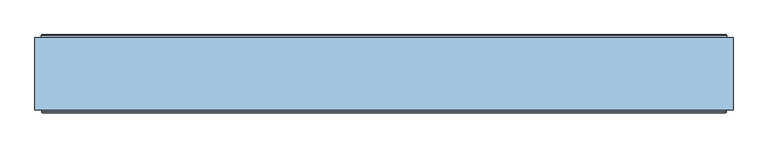
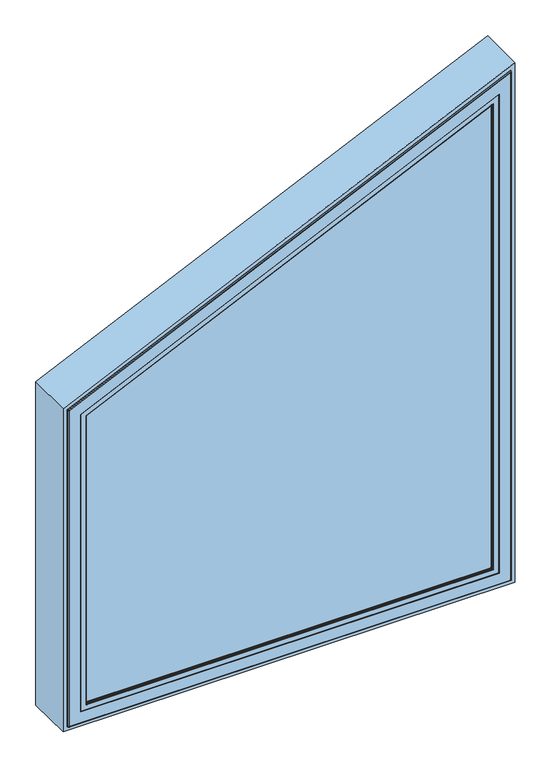
"""IFC4 building model written with IfcOpenShell, lengths in millimetres: window geometry."""

from ifc_helpers import new_model, si_unit, frame, origin, place, context, project, spatial, polyline, ellipse_curve, outline, extrude, faceted_brep, source, transform, mapped, element, save
from ifc_brep_helpers import plane_surface, cylinder_surface, revolved_surface, advanced_brep


def window_071e75b5(model_context):
    return source(origin(), model_context, "Body", "SolidModel", [
        extrude(outline(polyline([(2340.3606561, 616.514074), (1774.7514138, -616.514074), (849.485926, -616.514074), (849.485926, 616.514074), (2340.3606561, 616.514074)])), frame((0.0, -146.5000019, 0.0), z_axis=(0.0, 1.0, 0.0), x_axis=(0.0, 0.0, 1.0)), (0.0, 0.0, 1.0), 28.0000001),
        extrude(outline(polyline([(2417.5045872, 666.0), (1806.4954128, -666.0), (800.0, -666.0), (800.0, 666.0), (2417.5045872, 666.0)]), holes=[polyline([(1798.7977093, -654.0), (2398.7977093, 654.0), (812.0, 654.0), (812.0, -654.0), (1798.7977093, -654.0)])]), frame((0.0, -148.3866107, 0.0), z_axis=(0.0, 1.0, 0.0), x_axis=(0.0, 0.0, 1.0)), (0.0, 0.0, 1.0), 138.3866091),
        advanced_brep(
        [(-644.0, -6.5000014, 1792.3829563), (-644.0, -6.5000014, 822.0), (-645.5, -5.0000014, 820.5), (-645.5, -5.0000014, 1793.3451693), (-644.0, -142.5000016, 1792.3829563), (-644.0, -142.5000016, 822.0), (-654.0, -6.5000014, 1798.7977093), (-654.0, -6.5000014, 812.0), (-654.0, -142.5000016, 812.0), (-654.0, -142.5000016, 1798.7977093), (-652.5, -5.0000014, 1797.8354964), (-652.5, -5.0000014, 813.5), (644.0, -6.5000014, 822.0), (645.5, -5.0000014, 820.5), (644.0, -142.5000016, 822.0), (654.0, -6.5000014, 812.0), (654.0, -142.5000016, 812.0), (652.5, -5.0000014, 813.5), (644.0, -6.5000014, 2383.2086444), (645.5, -5.0000014, 2385.5470041), (644.0, -142.5000016, 2383.2086444), (654.0, -6.5000014, 2398.7977093), (654.0, -142.5000016, 2398.7977093), (652.5, -5.0000014, 2396.4593496)],
        [
            (0, 1),
            (1, 2, ellipse_curve(frame((-645.5, -6.5000014, 820.5), z_axis=(-0.7071067811865475, 0.0, 0.7071067811865475), x_axis=(0.7071067811865474, 0.0, 0.7071067811865476)), 2.1213203, 1.5)),
            (2, 3),
            (3, 0, ellipse_curve(frame((-645.5, -6.5000014, 1793.3451693), z_axis=(-0.5399343370974617, 0.0, -0.8417071412451749), x_axis=(-0.841707141245175, 0.0, 0.5399343370974613)), 1.7820925, 1.5)),
            (4, 5),
            (5, 1),
            (0, 4),
            (6, 7),
            (7, 8),
            (8, 9),
            (9, 6),
            (10, 11),
            (11, 7, ellipse_curve(frame((-652.5, -6.5000014, 813.5), z_axis=(-0.7071067811865475, 0.0, 0.7071067811865475), x_axis=(0.7071067811865474, 0.0, 0.7071067811865476)), 2.1213203, 1.5)),
            (6, 10, ellipse_curve(frame((-652.5, -6.5000014, 1797.8354964), z_axis=(-0.5399343370974617, 0.0, -0.8417071412451749), x_axis=(-0.841707141245175, 0.0, 0.5399343370974613)), 1.7820925, 1.5)),
            (1, 12),
            (12, 13, ellipse_curve(frame((645.5, -6.5000014, 820.5), z_axis=(-0.7071067811865475, 0.0, -0.7071067811865475), x_axis=(-0.7071067811865476, 0.0, 0.7071067811865474)), 2.1213203, 1.5)),
            (13, 2),
            (5, 14),
            (14, 12),
            (7, 15),
            (15, 16),
            (16, 8),
            (11, 17),
            (17, 15, ellipse_curve(frame((652.5, -6.5000014, 813.5), z_axis=(-0.7071067811865475, 0.0, -0.7071067811865475), x_axis=(-0.7071067811865476, 0.0, 0.7071067811865474)), 2.1213203, 1.5)),
            (12, 18),
            (18, 19, ellipse_curve(frame((645.5, -6.5000014, 2385.5470041), z_axis=(0.8417071412451748, 0.0, -0.5399343370974616), x_axis=(-0.5399343370974615, 0.0, -0.8417071412451748)), 2.7781156, 1.5)),
            (19, 13),
            (14, 20),
            (20, 18),
            (15, 21),
            (21, 22),
            (22, 16),
            (17, 23),
            (23, 21, ellipse_curve(frame((652.5, -6.5000014, 2396.4593496), z_axis=(0.8417071412451748, 0.0, -0.5399343370974616), x_axis=(-0.5399343370974615, 0.0, -0.8417071412451748)), 2.7781156, 1.5)),
            (18, 0),
            (3, 19),
            (20, 4),
            (22, 9),
            (21, 6),
            (23, 10),
        ],
        [
            cylinder_surface(frame((-645.5, -6.5000014, 1798.7977093), z_axis=(0.0, 0.0, 1.0), x_axis=(1.0, 0.0, 0.0)), 1.5),
            plane_surface(frame((-644.0, -6.5000014, 1792.3829563), z_axis=(1.0, 0.0, 0.0), x_axis=(0.0, 0.0, -1.0))),
            plane_surface(frame((-654.0, -142.5000016, 1798.7977093), z_axis=(-1.0, 0.0, 0.0), x_axis=(0.0, 0.0, -1.0))),
            cylinder_surface(frame((-652.5, -6.5000014, 1798.7977093), z_axis=(0.0, 0.0, 1.0), x_axis=(1.0, 0.0, 0.0)), 1.5),
            cylinder_surface(frame((-654.0, -6.5000014, 820.5), z_axis=(-1.0, 0.0, 0.0), x_axis=(0.0, 0.0, 1.0)), 1.5),
            plane_surface(frame((-644.0, -6.5000014, 822.0), z_axis=(0.0, 0.0, 1.0), x_axis=(1.0, 0.0, 0.0))),
            plane_surface(frame((-654.0, -142.5000016, 812.0), z_axis=(0.0, 0.0, -1.0), x_axis=(1.0, 0.0, 0.0))),
            cylinder_surface(frame((-654.0, -6.5000014, 813.5), z_axis=(-1.0, 0.0, 0.0), x_axis=(0.0, 0.0, 1.0)), 1.5),
            cylinder_surface(frame((645.5, -6.5000014, 812.0), z_axis=(0.0, 0.0, -1.0), x_axis=(-1.0, 0.0, 0.0)), 1.5),
            plane_surface(frame((644.0, -6.5000014, 822.0), z_axis=(-1.0, 0.0, 0.0), x_axis=(0.0, 0.0, 1.0))),
            plane_surface(frame((654.0, -142.5000016, 812.0), z_axis=(1.0, 0.0, 0.0), x_axis=(0.0, 0.0, 1.0))),
            cylinder_surface(frame((652.5, -6.5000014, 812.0), z_axis=(0.0, 0.0, -1.0), x_axis=(-1.0, 0.0, 0.0)), 1.5),
            cylinder_surface(frame((657.5440055, -6.5000014, 2391.0717773), z_axis=(0.908933174676826, 0.0, 0.4169418232462492), x_axis=(0.4169418232462492, 0.0, -0.908933174676826)), 1.5),
            plane_surface(frame((644.0, -6.5000014, 2383.2086444), z_axis=(0.4169418232462495, 0.0, -0.9089331746768259), x_axis=(-0.9089331746768259, 0.0, -0.4169418232462495))),
            plane_surface(frame((644.0, -142.5000016, 2383.2086444), z_axis=(0.0, -1.0, 0.0), x_axis=(-0.9089331746768259, 0.0, -0.4169418232462496))),
            plane_surface(frame((654.0, -142.5000016, 2398.7977093), z_axis=(-0.4169418232462495, 0.0, 0.9089331746768259), x_axis=(-0.9089331746768259, 0.0, -0.4169418232462495))),
            cylinder_surface(frame((654.6254127, -6.5000014, 2397.4343095), z_axis=(0.908933174676826, 0.0, 0.4169418232462492), x_axis=(0.4169418232462492, 0.0, -0.908933174676826)), 1.5),
            plane_surface(frame((652.5, -5.0000014, 2396.4593496), z_axis=(0.0, 1.0000000000000002, 0.0), x_axis=(-0.908933174676826, 0.0, -0.4169418232462495))),
        ],
        [
            (0, [[1, 2, 3, 4]]),
            (1, [[5, 6, -1, 7]]),
            (2, [[8, 9, 10, 11]]),
            (3, [[12, 13, -8, 14]]),
            (4, [[15, 16, 17, -2]]),
            (5, [[18, 19, -15, -6]]),
            (6, [[20, 21, 22, -9]]),
            (7, [[23, 24, -20, -13]]),
            (8, [[25, 26, 27, -16]]),
            (9, [[28, 29, -25, -19]]),
            (10, [[30, 31, 32, -21]]),
            (11, [[33, 34, -30, -24]]),
            (12, [[35, -4, 36, -26]]),
            (13, [[37, -7, -35, -29]]),
            (14, [[-10, -22, -32, 38], [-5, -37, -28, -18]]),
            (15, [[39, -11, -38, -31]]),
            (16, [[40, -14, -39, -34]]),
            (17, [[-12, -40, -33, -23], [-3, -17, -27, -36]]),
        ],
    ),
        faceted_brep([(-616.0, -142.5000017, 1774.4216481), (-616.0, -142.5000017, 850.0), (-616.0, -118.5000018, 850.0), (-616.0, -118.5000018, 1774.4216481), (-644.0, -63.3258286, 1792.3829563), (-644.0, -63.3258286, 822.0), (-644.0, -142.5000017, 822.0), (-644.0, -142.5000017, 1792.3829563), (-637.2, -59.5000018, 1788.0209243), (-637.2, -59.5000018, 828.8), (-637.2, -63.3258286, 828.8), (-637.2, -63.3258286, 1788.0209243), (-594.0, -118.5000018, 1760.3091916), (-594.0, -118.5000018, 872.0), (-594.0, -59.5000018, 872.0), (-594.0, -59.5000018, 1760.3091916), (616.0, -142.5000017, 850.0), (616.0, -118.5000018, 850.0), (644.0, -63.3258286, 822.0), (644.0, -142.5000017, 822.0), (637.2, -59.5000018, 828.8), (637.2, -63.3258286, 828.8), (594.0, -118.5000018, 872.0), (594.0, -59.5000018, 872.0), (616.0, -142.5000017, 2339.5592628), (616.0, -118.5000018, 2339.5592628), (644.0, -63.3258286, 2383.2086444), (644.0, -142.5000017, 2383.2086444), (637.2, -59.5000018, 2372.6080803), (637.2, -63.3258286, 2372.6080803), (594.0, -118.5000018, 2305.26332), (594.0, -59.5000018, 2305.26332)], [[[0, 1, 2, 3]], [[4, 5, 6, 7]], [[8, 9, 10, 11]], [[12, 13, 14, 15]], [[1, 16, 17, 2]], [[5, 18, 19, 6]], [[9, 20, 21, 10]], [[13, 22, 23, 14]], [[16, 24, 25, 17]], [[18, 26, 27, 19]], [[20, 28, 29, 21]], [[22, 30, 31, 23]], [[24, 0, 3, 25]], [[7, 6, 19, 27], [1, 0, 24, 16]], [[26, 4, 7, 27]], [[5, 4, 26, 18], [11, 10, 21, 29]], [[28, 8, 11, 29]], [[9, 8, 28, 20], [15, 14, 23, 31]], [[30, 12, 15, 31]], [[3, 2, 17, 25], [13, 12, 30, 22]]]),
        advanced_brep(
        [(-653.0, -152.5000018, 1798.156234), (-653.0, -152.5000018, 813.0), (-651.5000001, -154.0000016, 814.4999999), (-651.5000001, -154.0000016, 1797.1940211), (-653.0, -148.3866107, 1798.156234), (-653.0, -148.3866107, 813.0), (-654.0, -142.5000017, 1798.7977093), (-654.0, -142.5000017, 812.0), (-654.0, -148.3866107, 812.0), (-654.0, -148.3866107, 1798.7977093), (-616.0, -146.5000019, 1774.4216481), (-616.0, -146.5000019, 850.0), (-616.0, -142.5000017, 850.0), (-616.0, -142.5000017, 1774.4216481), (-597.5192538, -147.4871074, 1762.5667059), (-597.5192538, -147.4871074, 868.4807462), (-597.4938789, -146.5000019, 868.5061211), (-597.4938789, -146.5000019, 1762.5504286), (-599.5962483, -148.7951832, 1763.8990466), (-599.5962483, -148.7951832, 866.4037517), (-600.0, -149.7544748, 1764.1580433), (-600.0, -149.7544748, 866.0), (-600.0, -153.0000016, 1764.1580433), (-600.0, -153.0000016, 866.0), (-600.5, -153.5000016, 1764.478781), (-600.5, -153.5000016, 865.5), (-616.514074, -154.0000016, 1774.7514138), (-616.514074, -154.0000016, 849.485926), (-615.8, -153.5000016, 850.2), (-615.8, -153.5000016, 1774.293353), (653.0, -152.5000018, 813.0), (651.5000001, -154.0000016, 814.4999999), (653.0, -148.3866107, 813.0), (654.0, -142.5000017, 812.0), (654.0, -148.3866107, 812.0), (616.0, -146.5000019, 850.0), (616.0, -142.5000017, 850.0), (597.5192538, -147.4871074, 868.4807462), (597.4938789, -146.5000019, 868.5061211), (599.5962483, -148.7951832, 866.4037517), (600.0, -149.7544748, 866.0), (600.0, -153.0000016, 866.0), (600.5, -153.5000016, 865.5), (616.514074, -154.0000016, 849.485926), (615.8, -153.5000016, 850.2), (653.0, -152.5000018, 2397.2388028), (651.5000001, -154.0000016, 2394.9004433), (653.0, -148.3866107, 2397.2388028), (654.0, -142.5000017, 2398.7977093), (654.0, -148.3866107, 2398.7977093), (616.0, -146.5000019, 2339.5592628), (616.0, -142.5000017, 2339.5592628), (597.5192538, -147.4871074, 2310.7495076), (597.4938789, -146.5000019, 2310.7099505), (599.5962483, -148.7951832, 2313.9873478), (600.0, -149.7544748, 2314.6167589), (600.0, -153.0000016, 2314.6167589), (600.5, -153.5000016, 2315.3962122), (616.514074, -154.0000016, 2340.3606561), (615.8, -153.5000016, 2339.2474815)],
        [
            (0, 1),
            (1, 2, ellipse_curve(frame((-651.5000001, -152.5000018, 814.4999999), z_axis=(-0.7071067811865475, 0.0, 0.7071067811865475), x_axis=(0.7071067811865474, 0.0, 0.7071067811865476)), 2.1213201, 1.4999998)),
            (2, 3),
            (3, 0, ellipse_curve(frame((-651.5000001, -152.5000018, 1797.1940211), z_axis=(-0.5399343370974617, 0.0, -0.8417071412451749), x_axis=(-0.841707141245175, 0.0, 0.5399343370974613)), 1.7820923, 1.4999998)),
            (4, 5),
            (5, 1),
            (0, 4),
            (6, 7),
            (7, 8),
            (8, 9),
            (9, 6),
            (10, 11),
            (11, 12),
            (12, 13),
            (13, 10),
            (14, 15),
            (15, 16, ellipse_curve(frame((-597.4938789, -146.9938808, 868.5061211), z_axis=(-0.7071067811865475, 0.0, 0.7071067811865475), x_axis=(0.7071067811865474, 0.0, 0.7071067811865476)), 0.6984503, 0.4938789)),
            (16, 17),
            (17, 14, ellipse_curve(frame((-597.4938789, -146.9938808, 1762.5504286), z_axis=(-0.5399343370974617, 0.0, -0.8417071412451749), x_axis=(-0.841707141245175, 0.0, 0.5399343370974613)), 0.5867586, 0.4938789)),
            (18, 19),
            (19, 15, ellipse_curve(frame((-597.6227187, -149.6258125, 868.3772813), z_axis=(0.7071067811865475, 0.0, -0.7071067811865475), x_axis=(-0.7071067811865474, 0.0, -0.7071067811865476)), 3.028123, 2.1412063)),
            (14, 18, ellipse_curve(frame((-597.6227187, -149.6258125, 1762.6330761), z_axis=(0.5399343370974617, 0.0, 0.8417071412451749), x_axis=(0.841707141245175, 0.0, -0.5399343370974613)), 2.5438851, 2.1412063)),
            (20, 21),
            (21, 19),
            (18, 20),
            (22, 23),
            (23, 21),
            (20, 22),
            (24, 25),
            (25, 23, ellipse_curve(frame((-600.5, -153.0000016, 865.5), z_axis=(-0.7071067811865475, 0.0, 0.7071067811865475), x_axis=(0.7071067811865474, 0.0, 0.7071067811865476)), 0.7071068, 0.5)),
            (22, 24, ellipse_curve(frame((-600.5, -153.0000016, 1764.478781), z_axis=(-0.5399343370974617, 0.0, -0.8417071412451749), x_axis=(-0.841707141245175, 0.0, 0.5399343370974613)), 0.5940309, 0.5)),
            (26, 27),
            (27, 28),
            (28, 29),
            (29, 26),
            (1, 30),
            (30, 31, ellipse_curve(frame((651.5000001, -152.5000018, 814.4999999), z_axis=(-0.7071067811865475, 0.0, -0.7071067811865475), x_axis=(-0.7071067811865476, 0.0, 0.7071067811865474)), 2.1213201, 1.4999998)),
            (31, 2),
            (5, 32),
            (32, 30),
            (7, 33),
            (33, 34),
            (34, 8),
            (11, 35),
            (35, 36),
            (36, 12),
            (15, 37),
            (37, 38, ellipse_curve(frame((597.4938789, -146.9938808, 868.5061211), z_axis=(-0.7071067811865475, 0.0, -0.7071067811865475), x_axis=(-0.7071067811865476, 0.0, 0.7071067811865474)), 0.6984503, 0.4938789)),
            (38, 16),
            (19, 39),
            (39, 37, ellipse_curve(frame((597.6227187, -149.6258125, 868.3772813), z_axis=(0.7071067811865475, 0.0, 0.7071067811865475), x_axis=(0.7071067811865476, 0.0, -0.7071067811865474)), 3.028123, 2.1412063)),
            (21, 40),
            (40, 39),
            (23, 41),
            (41, 40),
            (25, 42),
            (42, 41, ellipse_curve(frame((600.5, -153.0000016, 865.5), z_axis=(-0.7071067811865475, 0.0, -0.7071067811865475), x_axis=(-0.7071067811865476, 0.0, 0.7071067811865474)), 0.7071068, 0.5)),
            (27, 43),
            (43, 44),
            (44, 28),
            (30, 45),
            (45, 46, ellipse_curve(frame((651.5000001, -152.5000018, 2394.9004433), z_axis=(0.8417071412451748, 0.0, -0.5399343370974616), x_axis=(-0.5399343370974615, 0.0, -0.8417071412451748)), 2.7781153, 1.4999998)),
            (46, 31),
            (32, 47),
            (47, 45),
            (33, 48),
            (48, 49),
            (49, 34),
            (35, 50),
            (50, 51),
            (51, 36),
            (37, 52),
            (52, 53, ellipse_curve(frame((597.4938789, -146.9938808, 2310.7099505), z_axis=(0.8417071412451748, 0.0, -0.5399343370974616), x_axis=(-0.5399343370974615, 0.0, -0.8417071412451748)), 0.9147018, 0.4938789)),
            (53, 38),
            (39, 54),
            (54, 52, ellipse_curve(frame((597.6227187, -149.6258125, 2310.9107997), z_axis=(-0.8417071412451748, 0.0, 0.5399343370974616), x_axis=(0.5399343370974615, 0.0, 0.8417071412451748)), 3.965679, 2.1412063)),
            (40, 55),
            (55, 54),
            (41, 56),
            (56, 55),
            (42, 57),
            (57, 56, ellipse_curve(frame((600.5, -153.0000016, 2315.3962122), z_axis=(0.8417071412451748, 0.0, -0.5399343370974616), x_axis=(-0.5399343370974615, 0.0, -0.8417071412451748)), 0.9260386, 0.5)),
            (43, 58),
            (58, 59),
            (59, 44),
            (46, 3),
            (26, 58),
            (45, 0),
            (47, 4),
            (49, 9),
            (48, 6),
            (51, 13),
            (50, 10),
            (53, 17),
            (52, 14),
            (54, 18),
            (55, 20),
            (56, 22),
            (57, 24),
            (59, 29),
        ],
        [
            cylinder_surface(frame((-651.5000001, -152.5000018, 1798.7977093), z_axis=(0.0, 0.0, 1.0), x_axis=(1.0, 0.0, 0.0)), 1.4999998),
            plane_surface(frame((-653.0, -152.5000018, 1798.156234), z_axis=(-1.0, 0.0, 0.0), x_axis=(0.0, 0.0, -1.0))),
            plane_surface(frame((-654.0, -148.3866107, 1798.7977093), z_axis=(-1.0, 0.0, 0.0), x_axis=(0.0, 0.0, -1.0))),
            plane_surface(frame((-616.0, -142.5000017, 1774.4216481), z_axis=(1.0, 0.0, 0.0), x_axis=(0.0, 0.0, -1.0))),
            cylinder_surface(frame((-597.4938789, -146.9938808, 1798.7977093), z_axis=(0.0, 0.0, 1.0), x_axis=(1.0, 0.0, 0.0)), 0.4938789),
            revolved_surface(polyline([(-595.4815123999999, -149.6258125, 866.2360749924331), (-595.4815123999999, -149.6258125, 1764.0066070151206)]), (-597.6227187, -149.6258125, 1798.7977093), (0.0, 0.0, -1.0)),
            plane_surface(frame((-599.5962483, -148.7951832, 1763.8990466), z_axis=(0.9216905703602581, -0.38792588532989414, 0.0), x_axis=(0.0, 0.0, -1.0))),
            plane_surface(frame((-600.0, -149.7544748, 1764.1580433), z_axis=(1.0, 0.0, 0.0), x_axis=(0.0, 0.0, -1.0))),
            cylinder_surface(frame((-600.5, -153.0000016, 1798.7977093), z_axis=(0.0, 0.0, 1.0), x_axis=(1.0, 0.0, 0.0)), 0.5),
            plane_surface(frame((-615.8, -153.5000016, 1774.293353), z_axis=(0.5735764363510223, -0.8191520442890085, 0.0), x_axis=(0.0, 0.0, -1.0))),
            cylinder_surface(frame((-654.0, -152.5000018, 814.4999999), z_axis=(-1.0, 0.0, 0.0), x_axis=(0.0, 0.0, 1.0)), 1.4999998),
            plane_surface(frame((-653.0, -152.5000018, 813.0), z_axis=(0.0, 0.0, -1.0), x_axis=(1.0, 0.0, 0.0))),
            plane_surface(frame((-654.0, -148.3866107, 812.0), z_axis=(0.0, 0.0, -1.0), x_axis=(1.0, 0.0, 0.0))),
            plane_surface(frame((-616.0, -142.5000017, 850.0), z_axis=(0.0, 0.0, 1.0), x_axis=(1.0, 0.0, 0.0))),
            cylinder_surface(frame((-654.0, -146.9938808, 868.5061211), z_axis=(-1.0, 0.0, 0.0), x_axis=(0.0, 0.0, 1.0)), 0.4938789),
            revolved_surface(polyline([(599.763925007567, -149.6258125, 870.5184876000001), (-599.7639250075669, -149.6258125, 870.5184876000001)]), (-654.0, -149.6258125, 868.3772813), (1.0, 0.0, 0.0)),
            plane_surface(frame((-599.5962483, -148.7951832, 866.4037517), z_axis=(0.0, -0.3879258853298971, 0.9216905703602569), x_axis=(1.0, 0.0, 0.0))),
            plane_surface(frame((-600.0, -149.7544748, 866.0), z_axis=(0.0, 0.0, 1.0), x_axis=(1.0, 0.0, 0.0))),
            cylinder_surface(frame((-654.0, -153.0000016, 865.5), z_axis=(-1.0, 0.0, 0.0), x_axis=(0.0, 0.0, 1.0)), 0.5),
            plane_surface(frame((-615.8, -153.5000016, 850.2), z_axis=(0.0, -0.8191520442890103, 0.5735764363510196), x_axis=(1.0, 0.0, 0.0))),
            cylinder_surface(frame((651.5000001, -152.5000018, 812.0), z_axis=(0.0, 0.0, -1.0), x_axis=(-1.0, 0.0, 0.0)), 1.4999998),
            plane_surface(frame((653.0, -152.5000018, 813.0), z_axis=(1.0, 0.0, 0.0), x_axis=(0.0, 0.0, 1.0))),
            plane_surface(frame((654.0, -148.3866107, 812.0), z_axis=(1.0, 0.0, 0.0), x_axis=(0.0, 0.0, 1.0))),
            plane_surface(frame((616.0, -142.5000017, 850.0), z_axis=(-1.0, 0.0, 0.0), x_axis=(0.0, 0.0, 1.0))),
            cylinder_surface(frame((597.4938789, -146.9938808, 812.0), z_axis=(0.0, 0.0, -1.0), x_axis=(-1.0, 0.0, 0.0)), 0.4938789),
            revolved_surface(polyline([(595.4815123999999, -149.6258125, 2314.248740034186), (595.4815123999999, -149.6258125, 866.2360749924331)]), (597.6227187, -149.6258125, 812.0), (0.0, 0.0, 1.0)),
            plane_surface(frame((599.5962483, -148.7951832, 866.4037517), z_axis=(-0.9216905703602557, -0.3879258853299, 0.0), x_axis=(0.0, 0.0, 1.0))),
            plane_surface(frame((600.0, -149.7544748, 866.0), z_axis=(-1.0, 0.0, 0.0), x_axis=(0.0, 0.0, 1.0))),
            cylinder_surface(frame((600.5, -153.0000016, 812.0), z_axis=(0.0, 0.0, -1.0), x_axis=(-1.0, 0.0, 0.0)), 0.5),
            plane_surface(frame((615.8, -153.5000016, 850.2), z_axis=(-0.573576436351017, -0.8191520442890122, 0.0), x_axis=(0.0, 0.0, 1.0))),
            plane_surface(frame((616.514074, -154.0000016, 2340.3606561), z_axis=(0.0, -1.0000000000000002, 0.0), x_axis=(-0.908933174676826, 0.0, -0.41694182324624945))),
            cylinder_surface(frame((655.0423545, -152.5000018, 2396.5253765), z_axis=(0.908933174676826, 0.0, 0.4169418232462492), x_axis=(0.4169418232462492, 0.0, -0.908933174676826)), 1.4999998),
            plane_surface(frame((653.0, -152.5000018, 2397.2388028), z_axis=(-0.41694182324624945, 0.0, 0.9089331746768259), x_axis=(-0.9089331746768259, 0.0, -0.41694182324624945))),
            plane_surface(frame((653.0, -148.3866107, 2397.2388028), z_axis=(0.0, -1.0000000000000002, 0.0), x_axis=(-0.9089331746768259, 0.0, -0.41694182324624973))),
            plane_surface(frame((654.0, -148.3866107, 2398.7977093), z_axis=(-0.41694182324624957, 0.0, 0.9089331746768259), x_axis=(-0.9089331746768259, 0.0, -0.41694182324624957))),
            plane_surface(frame((654.0, -142.5000017, 2398.7977093), z_axis=(0.0, 1.0, 0.0), x_axis=(-0.9089331746768259, 0.0, -0.41694182324624957))),
            plane_surface(frame((616.0, -142.5000017, 2339.5592628), z_axis=(0.4169418232462493, 0.0, -0.908933174676826), x_axis=(-0.908933174676826, 0.0, -0.4169418232462493))),
            plane_surface(frame((616.0, -146.5000019, 2339.5592628), z_axis=(0.0, 1.0, 0.0), x_axis=(-0.908933174676826, 0.0, -0.4169418232462493))),
            cylinder_surface(frame((677.5597651, -146.9938808, 2347.4374213), z_axis=(0.908933174676826, 0.0, 0.4169418232462492), x_axis=(0.4169418232462492, 0.0, -0.908933174676826)), 0.4938789),
            revolved_surface(polyline([(-597.978408046447, -149.6258125, 1760.114180154089), (601.5494418819289, -149.6258125, 2310.356313148755)]), (677.5060465, -149.6258125, 2347.554528), (-0.908933174676826, 0.0, -0.4169418232462492)),
            plane_surface(frame((599.5962483, -148.7951832, 2313.9873478), z_axis=(0.3842913468748823, -0.3879258853298958, -0.8377551361872427), x_axis=(-0.9089331746768259, 0.0, -0.41694182324624945))),
            plane_surface(frame((600.0, -149.7544748, 2314.6167589), z_axis=(0.4169418232462494, 0.0, -0.908933174676826), x_axis=(-0.908933174676826, 0.0, -0.4169418232462494))),
            cylinder_surface(frame((676.3063875, -153.0000016, 2350.1697845), z_axis=(0.908933174676826, 0.0, 0.4169418232462492), x_axis=(0.4169418232462492, 0.0, -0.908933174676826)), 0.5),
            plane_surface(frame((600.5, -153.5000016, 2315.3962122), z_axis=(0.0, -1.0000000000000002, 0.0), x_axis=(-0.908933174676826, 0.0, -0.4169418232462494))),
            plane_surface(frame((615.8, -153.5000016, 2339.2474815), z_axis=(0.23914800514328313, -0.8191520442890098, -0.5213426512123527), x_axis=(-0.908933174676826, 0.0, -0.4169418232462495))),
        ],
        [
            (0, [[1, 2, 3, 4]]),
            (1, [[5, 6, -1, 7]]),
            (2, [[8, 9, 10, 11]]),
            (3, [[12, 13, 14, 15]]),
            (4, [[16, 17, 18, 19]]),
            (5, [[20, 21, -16, 22]]),
            (6, [[23, 24, -20, 25]]),
            (7, [[26, 27, -23, 28]]),
            (8, [[29, 30, -26, 31]]),
            (9, [[32, 33, 34, 35]]),
            (10, [[36, 37, 38, -2]]),
            (11, [[39, 40, -36, -6]]),
            (12, [[41, 42, 43, -9]]),
            (13, [[44, 45, 46, -13]]),
            (14, [[47, 48, 49, -17]]),
            (15, [[50, 51, -47, -21]]),
            (16, [[52, 53, -50, -24]]),
            (17, [[54, 55, -52, -27]]),
            (18, [[56, 57, -54, -30]]),
            (19, [[58, 59, 60, -33]]),
            (20, [[61, 62, 63, -37]]),
            (21, [[64, 65, -61, -40]]),
            (22, [[66, 67, 68, -42]]),
            (23, [[69, 70, 71, -45]]),
            (24, [[72, 73, 74, -48]]),
            (25, [[75, 76, -72, -51]]),
            (26, [[77, 78, -75, -53]]),
            (27, [[79, 80, -77, -55]]),
            (28, [[81, 82, -79, -57]]),
            (29, [[83, 84, 85, -59]]),
            (30, [[-3, -38, -63, 86], [-32, 87, -83, -58]]),
            (31, [[88, -4, -86, -62]]),
            (32, [[89, -7, -88, -65]]),
            (33, [[-10, -43, -68, 90], [-5, -89, -64, -39]]),
            (34, [[91, -11, -90, -67]]),
            (35, [[-8, -91, -66, -41], [-14, -46, -71, 92]]),
            (36, [[93, -15, -92, -70]]),
            (37, [[-12, -93, -69, -44], [-18, -49, -74, 94]]),
            (38, [[95, -19, -94, -73]]),
            (39, [[96, -22, -95, -76]]),
            (40, [[97, -25, -96, -78]]),
            (41, [[98, -28, -97, -80]]),
            (42, [[99, -31, -98, -82]]),
            (43, [[-34, -60, -85, 100], [-29, -99, -81, -56]]),
            (44, [[-87, -35, -100, -84]]),
        ],
    ),
    ])


if __name__ == "__main__":
    model = new_model("IFC4")
    model_context = context("Model", 3, world=origin())
    ifc_project = project(units=[si_unit("LENGTHUNIT", "METRE", prefix="MILLI")], contexts=[model_context])
    site = spatial("IfcSite", under=ifc_project)
    building = spatial("IfcBuilding", under=site)
    placement = place(None, origin())
    window_shape = window_071e75b5(model_context)
    element("IfcWindow", 1, at=placement, inside=building, context=model_context, shape_type="MappedRepresentation", body=[
        mapped(window_shape, transform((0.0, 0.0, 0.0), x_axis=(1.0, 0.0, 0.0), y_axis=(0.0, 1.0, 0.0), z_axis=(0.0, 0.0, 1.0))),
    ])
    save(model, "model.ifc")
